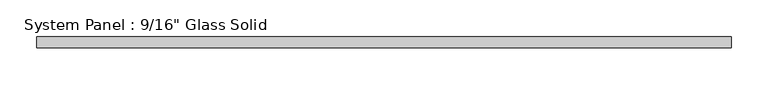
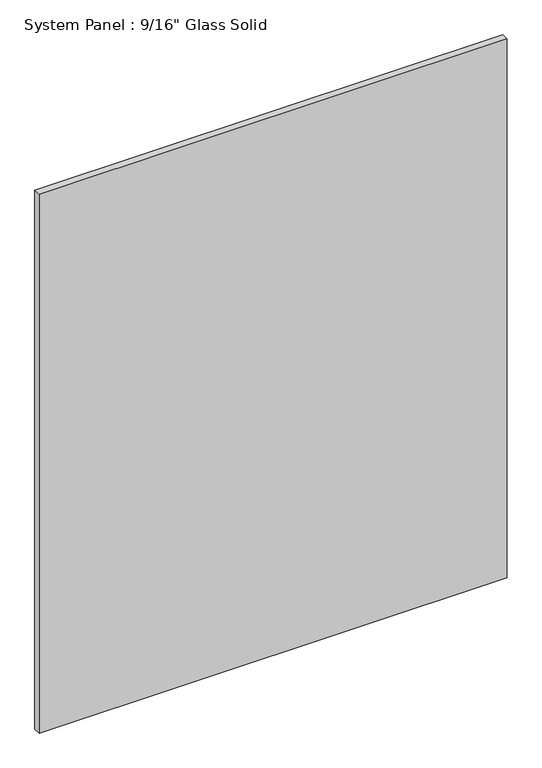
"""IFC4 building model written with IfcOpenShell, lengths in millimetres: plate geometry."""

from ifc_helpers import new_model, si_unit, origin, origin_with_axes, place, context, project, spatial, polyline, outline, extrude, source, transform, mapped, element, save


def plate_1f5cba67(model_context):
    return source(origin(), model_context, "Body", "SweptSolid", [
        extrude(outline(polyline([(469.3220691, -7.14375), (-469.3220691, -7.14375), (-469.3220691, 7.14375), (469.3220691, 7.14375), (469.3220691, -7.14375)])), origin_with_axes(), (0.0, 0.0, 1.0), 1141.8441382),
    ])


if __name__ == "__main__":
    model = new_model("IFC4")
    model_context = context("Model", 3, world=origin())
    ifc_project = project(units=[si_unit("LENGTHUNIT", "METRE", prefix="MILLI")], contexts=[model_context])
    site = spatial("IfcSite", under=ifc_project)
    building = spatial("IfcBuilding", under=site)
    placement = place(None, origin())
    plate_shape = plate_1f5cba67(model_context)
    element("IfcPlate", 1, ObjectType="System Panel : 9/16\" Glass Solid", at=placement, inside=building, context=model_context, shape_type="MappedRepresentation", body=[
        mapped(plate_shape, transform((0.0, 0.0, 0.0), x_axis=(1.0, 0.0, 0.0), y_axis=(0.0, 1.0, 0.0), z_axis=(0.0, 0.0, 1.0))),
    ])
    save(model, "model.ifc")
